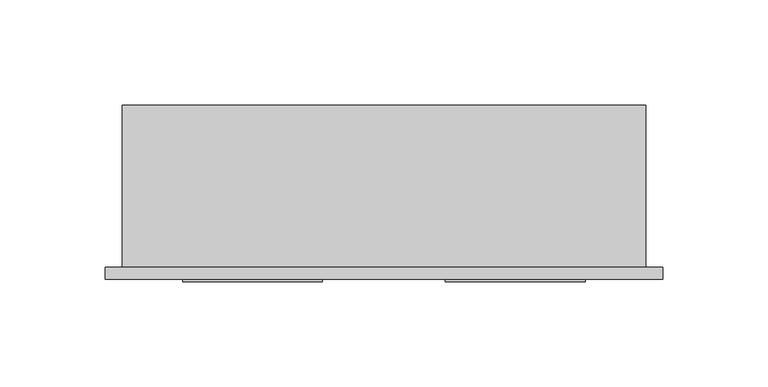
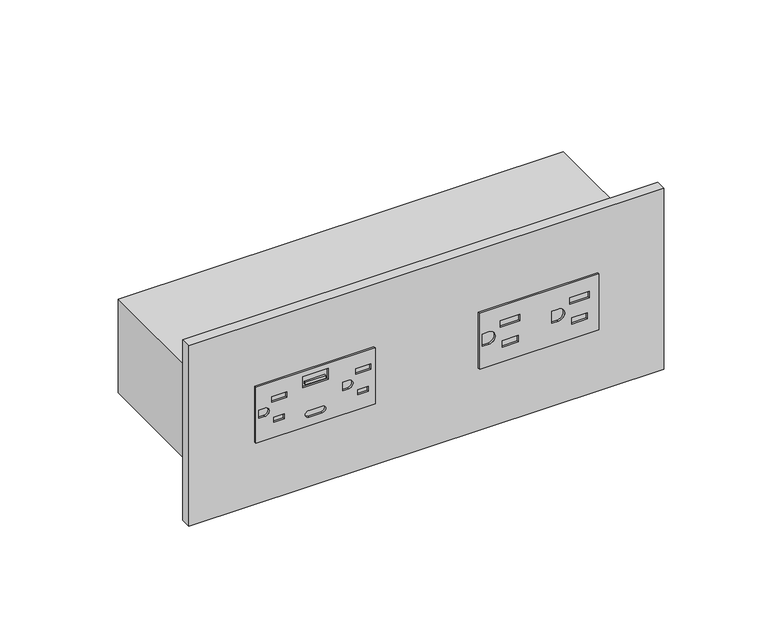
"""IFC4 building model written with IfcOpenShell, lengths in millimetres: proxy geometry."""

from ifc_helpers import new_model, si_unit, point, frame, frame_2d, origin, place, context, project, spatial, polyline, circle_curve, trimmed, segment, composite_curve, outline, extrude, source, transform, mapped, element, save


def electrical_fixtures_d6838e8a(model_context):
    return source(origin(), model_context, "Body", "SweptSolid", [
        extrude(outline(polyline([(821.6131229, 220.2976041), (854.6077229, 220.2976041), (854.6077229, 153.6177375), (821.6131229, 153.6177375), (821.6131229, 220.2976041)]), holes=[polyline([(842.2804146, 214.9176149), (842.2804146, 204.0576366), (846.1104069, 204.0576366), (846.1104069, 214.9176149), (842.2804146, 214.9176149)]), polyline([(830.1104389, 213.9176169), (830.1104389, 205.0576346), (833.9404313, 205.0576346), (833.9404313, 213.9176169), (830.1104389, 213.9176169)]), composite_curve([segment(polyline([(841.7426229, 193.8927344), (841.7426229, 197.5249344)]), True, "CONTINUOUS"), segment(trimmed(circle_curve(frame_2d((838.1104229, 197.5249344)), 3.6322), [point((841.7426229, 197.5249344))], [point((834.4782229, 197.5249344))], True, "CARTESIAN"), True, "CONTINUOUS"), segment(polyline([(834.4782229, 197.5249344), (834.4782229, 193.8927344), (841.7426229, 193.8927344)]), True, "CONTINUOUS")], self_intersect=False), polyline([(842.2804146, 176.1776924), (842.2804146, 165.3177141), (846.1104069, 165.3177141), (846.1104069, 176.1776924), (842.2804146, 176.1776924)]), polyline([(830.1104389, 175.1776944), (830.1104389, 166.3177121), (833.9404313, 166.3177121), (833.9404313, 175.1776944), (830.1104389, 175.1776944)]), composite_curve([segment(polyline([(834.4782229, 158.7899344), (834.4782229, 155.1577344), (841.7426229, 155.1577344), (841.7426229, 158.7899344)]), True, "CONTINUOUS"), segment(trimmed(circle_curve(frame_2d((838.1104229, 158.7899344)), 3.6322), [point((841.7426229, 158.7899344))], [point((834.4782229, 158.7899344))], True, "CARTESIAN"), True, "CONTINUOUS")], self_intersect=False)]), frame((0.0, -6.9294746, 0.0), z_axis=(0.0, 1.0, 0.0), x_axis=(0.0, 0.0, 1.0)), (0.0, 0.0, 1.0), 1.0366746),
        extrude(outline(polyline([(821.6131229, 95.1883983), (854.6077229, 95.1883983), (854.6077229, 28.6403983), (821.6131229, 28.6403983), (821.6131229, 95.1883983)]), holes=[polyline([(842.7521499, 92.7422735), (842.7521499, 84.4265232), (846.0795499, 84.4265232), (846.0795499, 92.7422735), (842.7521499, 92.7422735)]), polyline([(830.2973829, 91.4959746), (830.2973829, 85.6728221), (833.2717229, 85.6728221), (833.2717229, 91.4959746), (830.2973829, 91.4959746)]), composite_curve([segment(polyline([(835.6466229, 77.1543983), (840.5742229, 77.1543983), (840.5742229, 80.4516358)]), True, "CONTINUOUS"), segment(trimmed(circle_curve(frame_2d((838.1104229, 80.4516358)), 2.4638), [point((840.5742229, 80.4516358))], [point((835.6466229, 80.4516358))], True, "CARTESIAN"), True, "CONTINUOUS"), segment(polyline([(835.6466229, 80.4516358), (835.6466229, 77.1543983)]), True, "CONTINUOUS")], self_intersect=False), polyline([(842.7521499, 45.7522735), (842.7521499, 37.4365232), (846.0827049, 37.4365232), (846.0827049, 45.7522735), (842.7521499, 45.7522735)]), polyline([(830.3161837, 44.5059746), (830.3161837, 38.6828221), (833.2906533, 38.6828221), (833.2906533, 44.5059746), (830.3161837, 44.5059746)]), composite_curve([segment(polyline([(835.6466229, 30.1643983), (840.5742229, 30.1643983), (840.5742229, 33.5112452)]), True, "CONTINUOUS"), segment(trimmed(circle_curve(frame_2d((838.1104229, 33.5112452)), 2.4638), [point((840.5742229, 33.5112452))], [point((835.6466229, 33.5112452))], True, "CARTESIAN"), True, "CONTINUOUS"), segment(polyline([(835.6466229, 33.5112452), (835.6466229, 30.1643983)]), True, "CONTINUOUS")], self_intersect=False), polyline([(845.1828612, 68.9581973), (845.1828612, 54.8644614), (851.6839163, 54.8644614), (851.6839163, 68.9581973), (845.1828612, 68.9581973)]), composite_curve([segment(trimmed(circle_curve(frame_2d((828.5727229, 58.1297983)), 1.905), [point((826.6677229, 58.1297983))], [point((830.4777229, 58.1297983))], True, "CARTESIAN"), True, "CONTINUOUS"), segment(polyline([(830.4777229, 58.1297983), (830.4777229, 65.6989983)]), True, "CONTINUOUS"), segment(trimmed(circle_curve(frame_2d((828.5727229, 65.6989983)), 1.905), [point((830.4777229, 65.6989983))], [point((826.6677229, 65.6989983))], True, "CARTESIAN"), True, "CONTINUOUS"), segment(polyline([(826.6677229, 65.6989983), (826.6677229, 58.1297983)]), True, "CONTINUOUS")], self_intersect=False)]), frame((0.0, -6.9294746, 0.0), z_axis=(0.0, 1.0, 0.0), x_axis=(0.0, 0.0, 1.0)), (0.0, 0.0, 1.0), 1.0366746),
        extrude(outline(polyline([(67.6331469, -6.9294746), (56.1895117, -6.9294746), (56.1895117, -5.8928), (67.6331469, -5.8928), (67.6331469, -6.9294746)])), frame((0.0, 0.0, 846.3926879), z_axis=(0.0, 0.0, 1.0), x_axis=(1.0, 0.0, 0.0)), (0.0, 0.0, 1.0), 1.5209293),
        extrude(outline(polyline([(-8.2450977, 0.0), (257.1652913, 0.0), (257.1652913, -5.8928), (-8.2450977, -5.8928), (-8.2450977, 0.0)])), frame((0.0, 0.0, 784.6718508), z_axis=(0.0, 0.0, 1.0), x_axis=(1.0, 0.0, 0.0)), (0.0, 0.0, 1.0), 106.8771443),
        extrude(outline(polyline([(248.92, 0.0), (0.0, 0.0), (0.0, 77.054), (248.92, 77.054), (248.92, 0.0)])), frame((0.0, 0.0, 810.3355229), z_axis=(0.0, 0.0, 1.0), x_axis=(1.0, 0.0, 0.0)), (0.0, 0.0, 1.0), 55.5498),
    ])


if __name__ == "__main__":
    model = new_model("IFC4")
    model_context = context("Model", 3, world=origin())
    ifc_project = project(units=[si_unit("LENGTHUNIT", "METRE", prefix="MILLI")], contexts=[model_context])
    site = spatial("IfcSite", under=ifc_project)
    building = spatial("IfcBuilding", under=site)
    placement = place(None, origin())
    electrical_fixtures_shape = electrical_fixtures_d6838e8a(model_context)
    element("IfcBuildingElementProxy", 1, Name="Electrical Fixtures", at=placement, inside=building, context=model_context, shape_type="MappedRepresentation", body=[
        mapped(electrical_fixtures_shape, transform((0.0, 0.0, 0.0), x_axis=(1.0, 0.0, 0.0), y_axis=(0.0, 1.0, 0.0), z_axis=(0.0, 0.0, 1.0))),
    ])
    save(model, "model.ifc")
